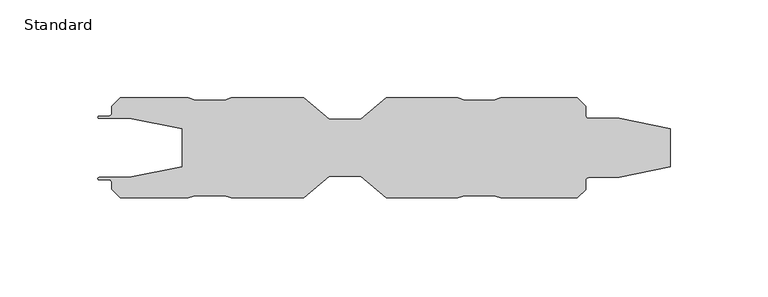
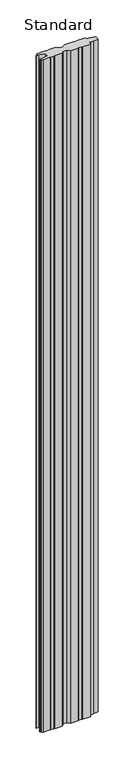
"""IFC4 building model written with IfcOpenShell, lengths in millimetres: plate geometry, Standard."""

from ifc_helpers import new_model, si_unit, point, frame_2d, origin, origin_with_axes, place, context, project, spatial, polyline, circle_curve, trimmed, segment, composite_curve, outline, extrude, source, transform, mapped, element, save


def standard_5374670d(model_context):
    return source(origin(), model_context, "Body", "SweptSolid", [
        extrude(outline(composite_curve([segment(polyline([(-108.3623025, 15.0999908), (-123.8499882, 15.0999908)]), True, "CONTINUOUS"), segment(trimmed(circle_curve(frame_2d((-123.8499882, 15.6750028)), 0.575012), [point((-123.8499882, 15.0999908))], [point((-123.8499882, 16.2500148))], False, "CARTESIAN"), True, "CONTINUOUS"), segment(polyline([(-123.8499882, 16.2500148), (-118.9492302, 16.2500148)]), True, "CONTINUOUS"), segment(trimmed(circle_curve(frame_2d((-118.9492302, 17.9000146)), 1.6499999), [point((-118.9492302, 16.2500148))], [point((-117.2992303, 17.9000146))], True, "CARTESIAN"), True, "CONTINUOUS"), segment(polyline([(-117.2992303, 17.9000146), (-117.2992303, 21.1432805), (-112.9456598, 25.5), (-78.3110244, 25.5), (-74.7923381, 24.3000145), (-59.8071491, 24.3000145), (-56.2944457, 25.499989), (-19.2988007, 25.499989), (-6.2972052, 14.4999909), (9.7136605, 14.4999909), (22.6825836, 25.499989), (59.1975243, 25.499989), (62.7023023, 24.3000622), (77.6865809, 24.3000622), (81.1976474, 25.499989), (120.2279575, 25.499989), (124.443415, 21.2478247), (124.443415, 16.7499909)]), True, "CONTINUOUS"), segment(trimmed(circle_curve(frame_2d((126.0934151, 16.7499909)), 1.6500001), [point((124.443415, 16.7499909))], [point((126.0934151, 15.0999908))], True, "CARTESIAN"), True, "CONTINUOUS"), segment(polyline([(126.0934151, 15.0999908), (141.639694, 15.0999908), (167.6040509, 9.6833816), (167.6040509, -9.6816688), (141.639694, -15.0982776), (126.0934151, -15.0982776)]), True, "CONTINUOUS"), segment(trimmed(circle_curve(frame_2d((126.0934151, -16.7482777)), 1.6500001), [point((126.0934151, -15.0982776))], [point((124.443415, -16.7482777))], True, "CARTESIAN"), True, "CONTINUOUS"), segment(polyline([(124.443415, -16.7482777), (124.443415, -21.2461114), (120.2279575, -25.4982758), (81.1976474, -25.4982758), (77.6865809, -24.2983489), (62.7023023, -24.2983489), (59.1975243, -25.4982758), (22.6825836, -25.4982758), (9.7136605, -14.4982777), (-6.2972052, -14.4982777), (-19.2988007, -25.4982758), (-56.2944457, -25.4982758), (-59.8071491, -24.2983017), (-74.7923381, -24.2983017), (-78.3110244, -25.4982867), (-112.9456598, -25.4982867), (-117.2992303, -21.1415672), (-117.2992303, -17.899556)]), True, "CONTINUOUS"), segment(trimmed(circle_curve(frame_2d((-118.9492299, -17.8983016)), 1.6500001), [point((-117.2992303, -17.899556))], [point((-118.9492299, -16.2483015))], True, "CARTESIAN"), True, "CONTINUOUS"), segment(polyline([(-118.9492299, -16.2483015), (-123.8695194, -16.2483015)]), True, "CONTINUOUS"), segment(trimmed(circle_curve(frame_2d((-123.8695194, -15.6732895)), 0.575012), [point((-123.8695194, -16.2483015))], [point((-123.8695194, -15.0982776))], False, "CARTESIAN"), True, "CONTINUOUS"), segment(polyline([(-123.8695194, -15.0982776), (-108.3623025, -15.0982776), (-81.3030655, -9.6816688), (-81.3030655, 9.6833816), (-108.3623025, 15.0999908)]), True, "CONTINUOUS")], self_intersect=False)), origin_with_axes(), (0.0, 0.0, 1.0), 3497.7),
    ])


if __name__ == "__main__":
    model = new_model("IFC4")
    model_context = context("Model", 3, world=origin())
    ifc_project = project(units=[si_unit("LENGTHUNIT", "METRE", prefix="MILLI")], contexts=[model_context])
    site = spatial("IfcSite", under=ifc_project)
    building = spatial("IfcBuilding", under=site)
    placement = place(None, origin())
    standard_shape = standard_5374670d(model_context)
    element("IfcPlate", 1, ObjectType="Standard", at=placement, inside=building, context=model_context, shape_type="MappedRepresentation", body=[
        mapped(standard_shape, transform((0.0, 0.0, 0.0), x_axis=(1.0, 0.0, 0.0), y_axis=(0.0, 1.0, 0.0), z_axis=(0.0, 0.0, 1.0))),
    ])
    save(model, "model.ifc")
